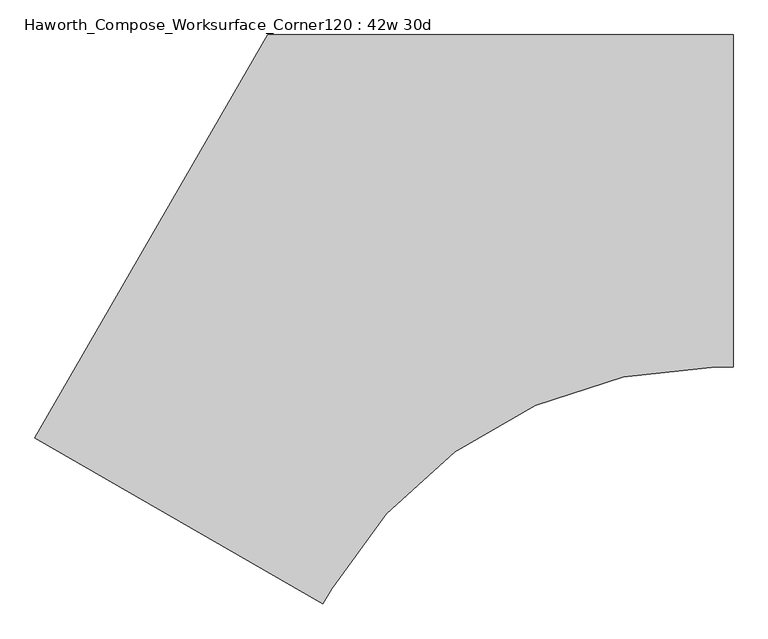
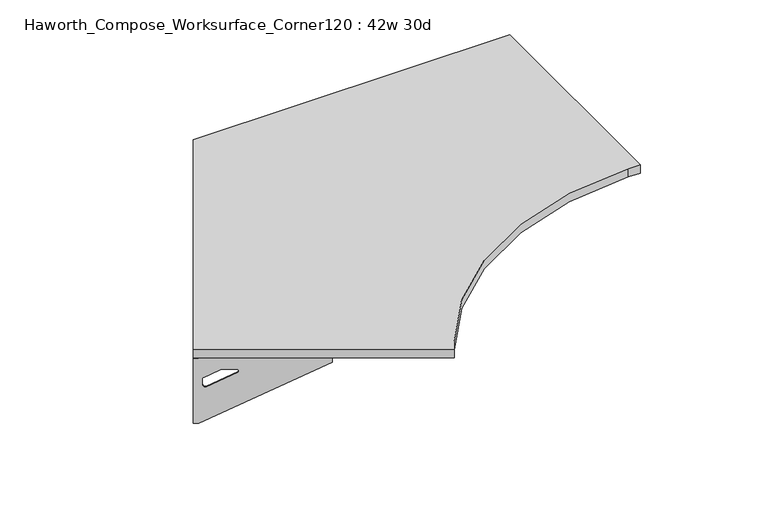
"""IFC4 building model written with IfcOpenShell, lengths in millimetres: furniture geometry, Haworth_Compose_Worksurface_Corner120 : 42w 30d."""

from ifc_helpers import new_model, si_unit, point, frame, frame_2d, origin, place, context, project, spatial, polyline, circle_curve, trimmed, segment, composite_curve, outline, extrude, source, transform, mapped, element, save
from ifc_brep_helpers import plane_surface, revolved_surface, advanced_brep


def haworth_compose_worksurface_corner120_42w_30d_2d28dead(model_context):
    return source(origin(), model_context, "Body", "SolidModel", [
        advanced_brep(
        [(302.41875, 304.8, 473.86875), (302.41875, 288.925, 473.86875), (302.41875, -101.6, 690.1317568), (302.41875, -101.6, 702.46875), (302.41875, 288.925, 702.46875), (302.41875, 304.8, 702.46875), (302.41875, 221.490072, 664.36875), (302.41875, 177.8355284, 664.36875), (302.41875, 175.1564235, 654.7830539), (302.41875, 266.8776173, 603.9901439), (302.41875, 276.225, 609.5881969), (302.41875, 276.225, 633.0985246), (302.41875, 274.4730055, 635.9367776), (302.41875, 224.5663437, 663.5738425), (304.8, 304.8, 473.86875), (304.8, 304.8, 702.46875), (304.8, 288.925, 702.46875), (304.8, 288.925, 704.85), (304.8, -101.6, 704.85), (304.8, -101.6, 690.1317568), (304.8, 288.925, 473.86875), (304.8, 221.490072, 664.36875), (304.8, 224.5663437, 663.5738425), (304.8, 274.4730055, 635.9367776), (304.8, 276.225, 633.0985246), (304.8, 276.225, 609.5881969), (304.8, 266.8776173, 603.9901439), (304.8, 175.1564235, 654.7830539), (304.8, 177.8355284, 664.36875), (263.525, -101.6, 704.85), (263.525, -101.6, 702.46875), (263.525, 288.925, 702.46875), (263.525, 288.925, 704.85)],
        [
            (0, 1),
            (1, 2),
            (2, 3),
            (3, 4),
            (4, 5),
            (5, 0),
            (6, 7),
            (7, 8, circle_curve(frame((302.41875, 177.8355284, 659.2015106), z_axis=(1.0, 0.0, 0.0), x_axis=(0.0, -1.0, 0.0)), 5.1672394)),
            (8, 9),
            (9, 10, circle_curve(frame((302.41875, 269.875, 609.5881969), z_axis=(1.0, 0.0, 0.0), x_axis=(0.0, -1.0, 0.0)), 6.35)),
            (10, 11),
            (11, 12, circle_curve(frame((302.41875, 273.05, 633.0985246), z_axis=(1.0, 0.0, 0.0), x_axis=(0.0, -1.0, 0.0)), 3.175)),
            (12, 13),
            (13, 6, circle_curve(frame((302.41875, 221.490072, 658.01875), z_axis=(1.0, 0.0, 0.0), x_axis=(0.0, -1.0, 0.0)), 6.35)),
            (14, 15),
            (15, 16),
            (16, 17),
            (17, 18),
            (18, 19),
            (19, 20),
            (20, 14),
            (21, 22, circle_curve(frame((304.8, 221.490072, 658.01875), z_axis=(-1.0, 0.0, 0.0), x_axis=(0.0, -1.0, 0.0)), 6.35)),
            (22, 23),
            (23, 24, circle_curve(frame((304.8, 273.05, 633.0985246), z_axis=(-1.0, 0.0, 0.0), x_axis=(0.0, -1.0, 0.0)), 3.175)),
            (24, 25),
            (25, 26, circle_curve(frame((304.8, 269.875, 609.5881969), z_axis=(-1.0, 0.0, 0.0), x_axis=(0.0, -1.0, 0.0)), 6.35)),
            (26, 27),
            (27, 28, circle_curve(frame((304.8, 177.8355284, 659.2015106), z_axis=(-1.0, 0.0, 0.0), x_axis=(0.0, -1.0, 0.0)), 5.1672394)),
            (28, 21),
            (4, 16),
            (15, 5),
            (14, 0),
            (20, 1),
            (19, 2),
            (18, 29),
            (29, 30),
            (30, 3),
            (6, 21),
            (28, 7),
            (9, 26),
            (25, 10),
            (24, 11),
            (23, 12),
            (27, 8),
            (31, 4),
            (30, 31),
            (32, 29),
            (17, 32),
            (31, 32),
            (22, 13),
        ],
        [
            plane_surface(frame((302.41875, 304.8, 473.86875), z_axis=(-1.0, 0.0, 0.0), x_axis=(0.0, 1.0, 0.0))),
            plane_surface(frame((304.8, 304.8, 473.86875), z_axis=(1.0, 0.0, 0.0), x_axis=(0.0, -1.0, 0.0))),
            plane_surface(frame((304.8, -101.6, 702.46875), z_axis=(0.0, 0.0, 1.0), x_axis=(-1.0, 0.0, 0.0))),
            plane_surface(frame((304.8, 304.8, 702.46875), z_axis=(0.0, 1.0, 0.0), x_axis=(-1.0, 0.0, 0.0))),
            plane_surface(frame((304.8, 304.8, 473.86875), z_axis=(0.0, 0.0, -1.0), x_axis=(-1.0, 0.0, 0.0))),
            plane_surface(frame((304.8, 288.925, 473.86875), z_axis=(0.0, -0.4844522351345575, -0.8748177135112957), x_axis=(-1.0, 0.0, 0.0))),
            plane_surface(frame((304.8, -101.6, 690.1317568), z_axis=(0.0, -1.0, 0.0), x_axis=(-1.0, 0.0, 0.0))),
            plane_surface(frame((304.8, 221.490072, 664.36875), z_axis=(0.0, 0.0, -1.0), x_axis=(-1.0, 0.0, 0.0))),
            revolved_surface(polyline([(302.41875, 263.525, 609.5881969), (304.8, 263.525, 609.5881969)]), (304.8, 269.875, 609.5881969), (-1.0, 0.0, 0.0)),
            plane_surface(frame((304.8, 276.225, 609.5881969), z_axis=(0.0, -1.0, 0.0), x_axis=(-1.0, 0.0, 0.0))),
            revolved_surface(polyline([(302.41875, 269.875, 633.0985246), (304.8, 269.875, 633.0985246)]), (304.8, 273.05, 633.0985246), (-1.0, 0.0, 0.0)),
            revolved_surface(polyline([(302.41875, 172.668289, 659.2015106), (304.8, 172.668289, 659.2015106)]), (304.8, 177.8355284, 659.2015106), (-1.0, 0.0, 0.0)),
            plane_surface(frame((304.8, 288.925, 702.46875), z_axis=(0.0, 0.0, -1.0), x_axis=(-1.0, 0.0, 0.0))),
            plane_surface(frame((304.8, 288.925, 704.85), z_axis=(0.0, 0.0, 1.0), x_axis=(1.0, 0.0, 0.0))),
            plane_surface(frame((263.525, 288.925, 704.85), z_axis=(0.0, 1.0, 0.0), x_axis=(0.0, 0.0, -1.0))),
            plane_surface(frame((263.525, -101.6, 704.85), z_axis=(-1.0, 0.0, 0.0), x_axis=(0.0, 0.0, -1.0))),
            plane_surface(frame((304.8, 175.1564235, 654.7830539), z_axis=(0.0, 0.4844522351341526, 0.8748177135115199), x_axis=(-1.0, 0.0, 0.0))),
            plane_surface(frame((304.8, 274.4730055, 635.9367776), z_axis=(0.0, -0.48445223513456226, -0.874817713511293), x_axis=(-1.0, 0.0, 0.0))),
            revolved_surface(polyline([(302.41875, 215.140072, 658.01875), (304.8, 215.140072, 658.01875)]), (304.8, 221.490072, 658.01875), (-1.0, 0.0, 0.0)),
        ],
        [
            (0, [[1, 2, 3, 4, 5, 6], [7, 8, 9, 10, 11, 12, 13, 14]]),
            (1, [[15, 16, 17, 18, 19, 20, 21], [22, 23, 24, 25, 26, 27, 28, 29]]),
            (2, [[-5, 30, -16, 31]]),
            (3, [[-31, -15, 32, -6]]),
            (4, [[-32, -21, 33, -1]]),
            (5, [[-33, -20, 34, -2]]),
            (6, [[-34, -19, 35, 36, 37, -3]]),
            (7, [[38, -29, 39, -7]]),
            (8, [[40, -26, 41, -10]]),
            (9, [[-41, -25, 42, -11]]),
            (10, [[-42, -24, 43, -12]]),
            (11, [[-39, -28, 44, -8]]),
            (12, [[45, -4, -37, 46]]),
            (13, [[47, -35, -18, 48]]),
            (14, [[-17, -30, -45, 49, -48]]),
            (15, [[-36, -47, -49, -46]]),
            (16, [[-44, -27, -40, -9]]),
            (17, [[-43, -23, 50, -13]]),
            (18, [[-50, -22, -38, -14]]),
        ],
    ),
        advanced_brep(
        [(-1294.209375, -617.0136778, 473.86875), (-1294.209375, -617.0136778, 702.46875), (-1280.4612217, -624.9511778, 702.46875), (-942.2566509, -820.2136778, 702.46875), (-942.2566509, -820.2136778, 690.1317568), (-1280.4612217, -624.9511778, 473.86875), (-1222.060861, -658.6686418, 664.36875), (-1224.7249904, -657.1305059, 663.5738425), (-1267.9454274, -632.177175, 635.9367776), (-1269.4626991, -631.3011778, 633.0985246), (-1269.4626991, -631.3011778, 609.5881969), (-1261.3676282, -635.9748691, 603.9901439), (-1181.9347443, -681.835466, 654.7830539), (-1184.2549172, -680.4959136, 664.36875), (-1295.4, -619.0759008, 473.86875), (-1281.6518467, -627.0134008, 473.86875), (-943.4472759, -822.2759008, 690.1317568), (-943.4472759, -822.2759008, 704.85), (-1281.6518467, -627.0134008, 704.85), (-1281.6518467, -627.0134008, 702.46875), (-1295.4, -619.0759008, 702.46875), (-1223.251486, -660.7308648, 664.36875), (-1185.4455422, -682.5581365, 664.36875), (-1183.1253693, -683.897689, 654.7830539), (-1262.5582532, -638.0370921, 603.9901439), (-1270.6533241, -633.3634008, 609.5881969), (-1270.6533241, -633.3634008, 633.0985246), (-1269.1360524, -634.239398, 635.9367776), (-1225.9156154, -659.1927289, 663.5738425), (-922.8097759, -786.5307022, 702.46875), (-922.8097759, -786.5307022, 704.85), (-1261.0143467, -591.2682022, 702.46875), (-1261.0143467, -591.2682022, 704.85)],
        [
            (0, 1),
            (1, 2),
            (2, 3),
            (3, 4),
            (4, 5),
            (5, 0),
            (6, 7, circle_curve(frame((-1222.060861, -658.6686418, 658.01875), z_axis=(-0.5000000000000026, -0.8660254037844374, 0.0), x_axis=(0.8660254037844372, -0.5000000000000024, 0.0)), 6.35)),
            (7, 8),
            (8, 9, circle_curve(frame((-1266.7130684, -632.8886778, 633.0985246), z_axis=(-0.5000000000000026, -0.8660254037844374, 0.0), x_axis=(0.8660254037844372, -0.5000000000000024, 0.0)), 3.175)),
            (9, 10),
            (10, 11, circle_curve(frame((-1263.9634378, -634.4761778, 609.5881969), z_axis=(-0.5000000000000026, -0.8660254037844374, 0.0), x_axis=(0.8660254037844372, -0.5000000000000024, 0.0)), 6.35)),
            (11, 12),
            (12, 13, circle_curve(frame((-1184.2549172, -680.4959136, 659.2015106), z_axis=(-0.5000000000000026, -0.8660254037844374, 0.0), x_axis=(0.8660254037844372, -0.5000000000000024, 0.0)), 5.1672394)),
            (13, 6),
            (14, 15),
            (15, 16),
            (16, 17),
            (17, 18),
            (18, 19),
            (19, 20),
            (20, 14),
            (21, 22),
            (22, 23, circle_curve(frame((-1185.4455422, -682.5581365, 659.2015106), z_axis=(0.5000000000000026, 0.8660254037844374, 0.0), x_axis=(0.8660254037844372, -0.5000000000000024, 0.0)), 5.1672394)),
            (23, 24),
            (24, 25, circle_curve(frame((-1265.1540628, -636.5384008, 609.5881969), z_axis=(0.5000000000000026, 0.8660254037844374, 0.0), x_axis=(0.8660254037844372, -0.5000000000000024, 0.0)), 6.35)),
            (25, 26),
            (26, 27, circle_curve(frame((-1267.9036934, -634.9509008, 633.0985246), z_axis=(0.5000000000000026, 0.8660254037844374, 0.0), x_axis=(0.8660254037844372, -0.5000000000000024, 0.0)), 3.175)),
            (27, 28),
            (28, 21, circle_curve(frame((-1223.251486, -660.7308648, 658.01875), z_axis=(0.5000000000000026, 0.8660254037844374, 0.0), x_axis=(0.8660254037844372, -0.5000000000000024, 0.0)), 6.35)),
            (1, 20),
            (19, 2),
            (0, 14),
            (5, 15),
            (4, 16),
            (3, 29),
            (29, 30),
            (30, 17),
            (13, 22),
            (21, 6),
            (10, 25),
            (24, 11),
            (9, 26),
            (8, 27),
            (12, 23),
            (31, 29),
            (2, 31),
            (32, 18),
            (30, 32),
            (32, 31),
            (7, 28),
        ],
        [
            plane_surface(frame((-1294.209375, -617.0136778, 473.86875), z_axis=(0.5000000000000026, 0.8660254037844373, 0.0), x_axis=(-0.8660254037844373, 0.5000000000000026, 0.0))),
            plane_surface(frame((-1295.4, -619.0759008, 473.86875), z_axis=(-0.5000000000000026, -0.8660254037844373, 0.0), x_axis=(0.8660254037844373, -0.5000000000000026, 0.0))),
            plane_surface(frame((-943.4472759, -822.2759008, 702.46875), z_axis=(0.0, 0.0, 1.0), x_axis=(0.5000000000000011, 0.866025403784438, 0.0))),
            plane_surface(frame((-1295.4, -619.0759008, 702.46875), z_axis=(-0.866025403784438, 0.5000000000000011, 0.0), x_axis=(0.5000000000000011, 0.866025403784438, 0.0))),
            plane_surface(frame((-1295.4, -619.0759008, 473.86875), z_axis=(0.0, 0.0, -1.0), x_axis=(0.5000000000000011, 0.866025403784438, 0.0))),
            plane_surface(frame((-1281.6518467, -627.0134008, 473.86875), z_axis=(0.41954794254667943, -0.24222611756727808, -0.8748177135112957), x_axis=(0.5000000000000011, 0.866025403784438, 0.0))),
            plane_surface(frame((-943.4472759, -822.2759008, 690.1317568), z_axis=(0.866025403784438, -0.5000000000000011, 0.0), x_axis=(0.5000000000000011, 0.866025403784438, 0.0))),
            plane_surface(frame((-1223.251486, -660.7308648, 664.36875), z_axis=(0.0, 0.0, -1.0), x_axis=(0.5000000000000011, 0.866025403784438, 0.0))),
            revolved_surface(polyline([(-1258.46417645195, -637.6511777483158, 609.5881969), (-1259.6548014859688, -639.7134008, 609.5881969)]), (-1265.1540628, -636.5384008, 609.5881969), (0.5000000000000024, 0.8660254037844372, 0.0)),
            plane_surface(frame((-1270.6533241, -633.3634008, 609.5881969), z_axis=(0.866025403784438, -0.5000000000000011, 0.0), x_axis=(0.5000000000000011, 0.866025403784438, 0.0))),
            revolved_surface(polyline([(-1263.9634377398502, -634.4761778018095, 633.0985246), (-1265.1540627537306, -636.5384008186128, 633.0985246)]), (-1267.9036934, -634.9509008, 633.0985246), (0.5000000000000024, 0.8660254037844372, 0.0)),
            revolved_surface(polyline([(-1179.7799566313815, -683.0795332405233, 659.2015106), (-1180.9705816345158, -685.1417562387139, 659.2015106)]), (-1185.4455422, -682.5581365, 659.2015106), (0.5000000000000024, 0.8660254037844372, 0.0)),
            plane_surface(frame((-1281.6518467, -627.0134008, 702.46875), z_axis=(0.0, 0.0, -1.0), x_axis=(0.5000000000000011, 0.866025403784438, 0.0))),
            plane_surface(frame((-1281.6518467, -627.0134008, 704.85), z_axis=(0.0, 0.0, 1.0), x_axis=(-0.5000000000000011, -0.866025403784438, 0.0))),
            plane_surface(frame((-1261.0143467, -591.2682022, 704.85), z_axis=(-0.866025403784438, 0.5000000000000011, 0.0), x_axis=(0.0, 0.0, -1.0))),
            plane_surface(frame((-922.8097759, -786.5307022, 704.85), z_axis=(0.5000000000000011, 0.866025403784438, 0.0), x_axis=(0.0, 0.0, -1.0))),
            plane_surface(frame((-1183.1253693, -683.897689, 654.7830539), z_axis=(-0.41954794254632877, 0.24222611756707563, 0.87481771351152), x_axis=(0.5000000000000011, 0.866025403784438, 0.0))),
            plane_surface(frame((-1269.1360524, -634.239398, 635.9367776), z_axis=(0.4195479425466836, -0.24222611756728046, -0.874817713511293), x_axis=(0.5000000000000011, 0.866025403784438, 0.0))),
            revolved_surface(polyline([(-1216.5615996508982, -661.8436417464941, 658.01875), (-1217.752224685969, -663.9058648, 658.01875)]), (-1223.251486, -660.7308648, 658.01875), (0.5000000000000024, 0.8660254037844372, 0.0)),
        ],
        [
            (0, [[1, 2, 3, 4, 5, 6], [7, 8, 9, 10, 11, 12, 13, 14]]),
            (1, [[15, 16, 17, 18, 19, 20, 21], [22, 23, 24, 25, 26, 27, 28, 29]]),
            (2, [[30, -20, 31, -2]]),
            (3, [[-1, 32, -21, -30]]),
            (4, [[-6, 33, -15, -32]]),
            (5, [[-5, 34, -16, -33]]),
            (6, [[-4, 35, 36, 37, -17, -34]]),
            (7, [[-14, 38, -22, 39]]),
            (8, [[-11, 40, -25, 41]]),
            (9, [[-10, 42, -26, -40]]),
            (10, [[-9, 43, -27, -42]]),
            (11, [[-13, 44, -23, -38]]),
            (12, [[45, -35, -3, 46]]),
            (13, [[47, -18, -37, 48]]),
            (14, [[-47, 49, -46, -31, -19]]),
            (15, [[-45, -49, -48, -36]]),
            (16, [[-12, -41, -24, -44]]),
            (17, [[-8, 50, -28, -43]]),
            (18, [[-7, -39, -29, -50]]),
        ],
    ),
        extrude(outline(composite_curve([segment(polyline([(-1295.4, -619.0759008), (-762.0, 304.8), (304.8, 304.8), (304.8, -457.2), (264.5287786, -457.2)]), True, "CONTINUOUS"), segment(trimmed(circle_curve(frame_2d((264.5287786, -1473.2)), 1016.0), [point((264.5287786, -457.2))], [point((-615.3530316, -965.2))], True, "CARTESIAN"), True, "CONTINUOUS"), segment(polyline([(-615.3530316, -965.2), (-635.4886423, -1000.0759008), (-1295.4, -619.0759008)]), True, "CONTINUOUS")], self_intersect=False)), frame((0.0, 0.0, 706.4375), z_axis=(0.0, 0.0, 1.0), x_axis=(1.0, 0.0, 0.0)), (0.0, 0.0, 1.0), 30.1625),
    ])


if __name__ == "__main__":
    model = new_model("IFC4")
    model_context = context("Model", 3, world=origin())
    ifc_project = project(units=[si_unit("LENGTHUNIT", "METRE", prefix="MILLI")], contexts=[model_context])
    site = spatial("IfcSite", under=ifc_project)
    building = spatial("IfcBuilding", under=site)
    placement = place(None, origin())
    haworth_compose_worksurface_corner120_42w_30d_shape = haworth_compose_worksurface_corner120_42w_30d_2d28dead(model_context)
    element("IfcFurniture", 1, ObjectType="Haworth_Compose_Worksurface_Corner120 : 42w 30d", at=placement, inside=building, context=model_context, shape_type="MappedRepresentation", body=[
        mapped(haworth_compose_worksurface_corner120_42w_30d_shape, transform((0.0, 0.0, 0.0), x_axis=(1.0, 0.0, 0.0), y_axis=(0.0, 1.0, 0.0), z_axis=(0.0, 0.0, 1.0))),
    ])
    save(model, "model.ifc")
